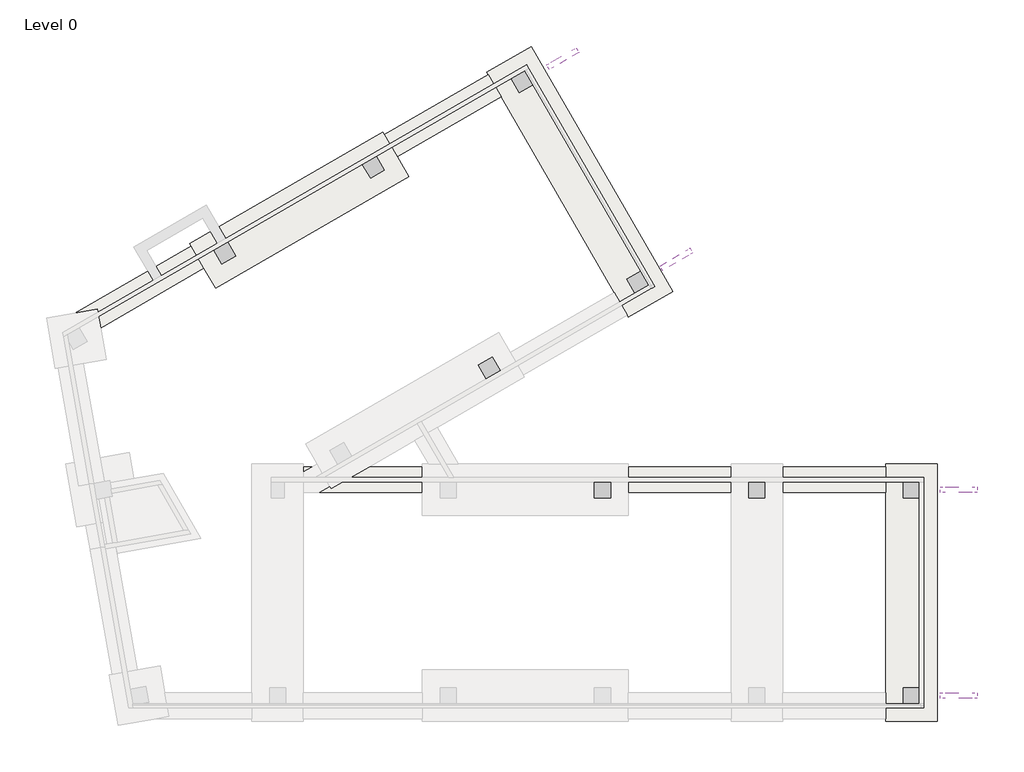
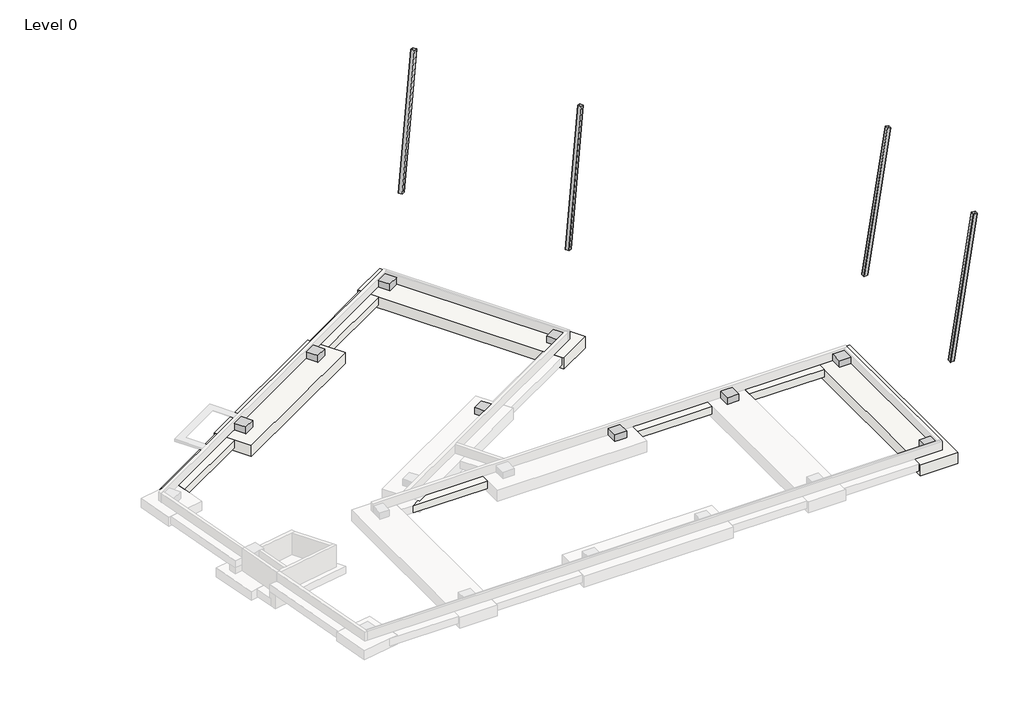
# One storey, part 2 of 2: 13 columns, 3 slabs, 2 footings.
"""IFC4 building model written with IfcOpenShell, lengths in millimetres."""

from ifc_helpers import new_model, si_unit, point, frame, frame_2d, origin, place, context, project, spatial, polyline, circle_curve, ellipse_curve, trimmed, segment, composite_curve, outline, extrude, faceted_brep, element, save
from ifc_brep_helpers import plane_surface, cylinder_surface, revolved_surface, advanced_brep

model = new_model("IFC4")

# Units and contexts
model_context = context("Model", 3, world=origin())
ifc_project = project(units=[si_unit("LENGTHUNIT", "METRE", prefix="MILLI")], contexts=[model_context])

# Site, building, storey
site = spatial("IfcSite", under=ifc_project)
building = spatial("IfcBuilding", under=site)
storey = spatial("IfcBuildingStorey", under=building, Name="Level 0", Elevation=-762.0)

# Columns
placement = place(None, origin())
element("IfcColumn", 1, ObjectType="Concrete-Square-Column : 30\"x30\"", at=placement, inside=storey, context=model_context, shape_type="SweptSolid", body=[
    extrude(outline(polyline([(36957.0, 381.0), (36957.0, -381.0), (36195.0, -381.0), (36195.0, 381.0), (36957.0, 381.0)])), frame((0.0, 0.0, -762.0), z_axis=(0.0, 0.0, 1.0), x_axis=(1.0, 0.0, 0.0)), (0.0, 0.0, 1.0), 457.2),
])
element("IfcColumn", 2, ObjectType="Concrete-Square-Column : 30\"x30\"", at=placement, inside=storey, context=model_context, shape_type="SweptSolid", body=[
    extrude(outline(polyline([(36195.0, 9372.6), (36195.0, 10134.6), (36957.0, 10134.6), (36957.0, 9372.6), (36195.0, 9372.6)])), frame((0.0, 0.0, -762.0), z_axis=(0.0, 0.0, 1.0), x_axis=(1.0, 0.0, 0.0)), (0.0, 0.0, 1.0), 457.2),
])
element("IfcColumn", 3, ObjectType="Concrete-Square-Column : 30\"x30\"", at=placement, inside=storey, context=model_context, shape_type="SweptSolid", body=[
    extrude(outline(polyline([(28879.8, 9372.6), (28879.8, 10134.6), (29641.8, 10134.6), (29641.8, 9372.6), (28879.8, 9372.6)])), frame((0.0, 0.0, -762.0), z_axis=(0.0, 0.0, 1.0), x_axis=(1.0, 0.0, 0.0)), (0.0, 0.0, 1.0), 457.2),
])
element("IfcColumn", 4, ObjectType="Concrete-Square-Column : 30\"x30\"", at=placement, inside=storey, context=model_context, shape_type="SweptSolid", body=[
    extrude(outline(polyline([(21564.6, 9372.6), (21564.6, 10134.6), (22326.6, 10134.6), (22326.6, 9372.6), (21564.6, 9372.6)])), frame((0.0, 0.0, -762.0), z_axis=(0.0, 0.0, 1.0), x_axis=(1.0, 0.0, 0.0)), (0.0, 0.0, 1.0), 457.2),
])
element("IfcColumn", 5, ObjectType="Concrete-Square-Column : 30\"x30\"", at=placement, inside=storey, context=model_context, shape_type="SweptSolid", body=[
    extrude(outline(polyline([(16442.2355486, 15021.2207705), (16061.2355486, 15681.1321282), (16721.1469063, 16062.1321282), (17102.1469063, 15402.2207705), (16442.2355486, 15021.2207705)])), frame((0.0, 0.0, -762.0), z_axis=(0.0, 0.0, 1.0), x_axis=(1.0, 0.0, 0.0)), (0.0, 0.0, 1.0), 457.2),
])
element("IfcColumn", 6, ObjectType="Concrete-Square-Column : 30\"x30\"", at=placement, inside=storey, context=model_context, shape_type="SweptSolid", body=[
    extrude(outline(polyline([(23481.2900306, 19085.2207705), (23100.2900306, 19745.1321282), (23760.2013883, 20126.1321282), (24141.2013883, 19466.2207705), (23481.2900306, 19085.2207705)])), frame((0.0, 0.0, -762.0), z_axis=(0.0, 0.0, 1.0), x_axis=(1.0, 0.0, 0.0)), (0.0, 0.0, 1.0), 457.2),
])
element("IfcColumn", 7, ObjectType="Concrete-Square-Column : 30\"x30\"", at=placement, inside=storey, context=model_context, shape_type="SweptSolid", body=[
    extrude(outline(polyline([(17994.8900306, 28587.9443212), (17613.8900306, 29247.8556788), (18273.8013883, 29628.8556788), (18654.8013883, 28968.9443212), (17994.8900306, 28587.9443212)])), frame((0.0, 0.0, -762.0), z_axis=(0.0, 0.0, 1.0), x_axis=(1.0, 0.0, 0.0)), (0.0, 0.0, 1.0), 457.2),
])
element("IfcColumn", 8, ObjectType="Concrete-Square-Column : 30\"x30\"", at=placement, inside=storey, context=model_context, shape_type="SweptSolid", body=[
    extrude(outline(polyline([(10955.8355486, 24523.9443212), (10574.8355486, 25183.8556788), (11234.7469063, 25564.8556788), (11615.7469063, 24904.9443212), (10955.8355486, 24523.9443212)])), frame((0.0, 0.0, -762.0), z_axis=(0.0, 0.0, 1.0), x_axis=(1.0, 0.0, 0.0)), (0.0, 0.0, 1.0), 457.2),
])
element("IfcColumn", 9, ObjectType="Concrete-Square-Column : 30\"x30\"", at=placement, inside=storey, context=model_context, shape_type="SweptSolid", body=[
    extrude(outline(polyline([(3916.7810667, 20459.9443212), (3535.7810667, 21119.8556788), (4195.6924243, 21500.8556788), (4576.6924243, 20840.9443212), (3916.7810667, 20459.9443212)])), frame((0.0, 0.0, -762.0), z_axis=(0.0, 0.0, 1.0), x_axis=(1.0, 0.0, 0.0)), (0.0, 0.0, 1.0), 457.2),
])
element("IfcColumn", 10, ObjectType="HSS-Hollow Structural Section-Column : HSS10x10x1/4", at=placement, inside=storey, context=model_context, shape_type="SweptSolid", body=[
    extrude(outline(composite_curve([segment(trimmed(circle_curve(frame_2d((230.3272, -11.8364)), 11.8364), [point((230.3272001, 0.0))], [point((242.1636, -11.8364))], False, "CARTESIAN"), True, "CONTINUOUS"), segment(polyline([(242.1636, -11.8364), (242.1636, -242.1635999)]), True, "CONTINUOUS"), segment(trimmed(circle_curve(frame_2d((230.3272, -242.1636)), 11.8364), [point((242.1636, -242.1635999))], [point((230.3272, -254.0))], False, "CARTESIAN"), True, "CONTINUOUS"), segment(polyline([(230.3272, -254.0), (1e-07, -254.0)]), True, "CONTINUOUS"), segment(trimmed(circle_curve(frame_2d((1e-07, -242.1636)), 11.8364), [point((1e-07, -254.0))], [point((-11.8364, -242.1636))], False, "CARTESIAN"), True, "CONTINUOUS"), segment(polyline([(-11.8364, -242.1636), (-11.8364, -11.8364)]), True, "CONTINUOUS"), segment(trimmed(circle_curve(frame_2d((0.0, -11.8364)), 11.8364), [point((-11.8364, -11.8364))], [point((0.0, 0.0))], False, "CARTESIAN"), True, "CONTINUOUS"), segment(polyline([(0.0, 0.0), (230.3272001, 0.0)]), True, "CONTINUOUS")], self_intersect=False), holes=[composite_curve([segment(polyline([(230.3272001, -5.9182), (0.0, -5.9182)]), True, "CONTINUOUS"), segment(trimmed(circle_curve(frame_2d((0.0, -11.8364)), 5.9182), [point((0.0, -5.9182))], [point((-5.9182, -11.8364))], True, "CARTESIAN"), True, "CONTINUOUS"), segment(polyline([(-5.9182, -11.8364), (-5.9182, -242.1635999)]), True, "CONTINUOUS"), segment(trimmed(circle_curve(frame_2d((1e-07, -242.1636)), 5.9182), [point((-5.9182, -242.1635999))], [point((1e-07, -248.0818))], True, "CARTESIAN"), True, "CONTINUOUS"), segment(polyline([(1e-07, -248.0818), (230.3272, -248.0818)]), True, "CONTINUOUS"), segment(trimmed(circle_curve(frame_2d((230.3272, -242.1636)), 5.9182), [point((230.3272, -248.0818))], [point((236.2454, -242.1636))], True, "CARTESIAN"), True, "CONTINUOUS"), segment(polyline([(236.2454, -242.1636), (236.2454, -11.8364)]), True, "CONTINUOUS"), segment(trimmed(circle_curve(frame_2d((230.3272, -11.8364)), 5.9182), [point((236.2454, -11.8364))], [point((230.3272001, -5.9182))], True, "CARTESIAN"), True, "CONTINUOUS")], self_intersect=False)]), frame((24790.8903448, 20153.3960247, 4743.9325816), z_axis=(0.13226973390963054, 0.07848001638905436, 0.9881020213110837), x_axis=(-0.5102736686681748, 0.8600120830918144, 0.0)), (0.0, 0.0, 1.0), 9179.5581877),
])
element("IfcColumn", 11, ObjectType="HSS-Hollow Structural Section-Column : HSS10x10x1/4", at=placement, inside=storey, context=model_context, shape_type="AdvancedBrep", body=[
    advanced_brep(
    [(37948.0439775, 9868.7636, 4737.1), (37960.0238487, 9880.6, 4737.1), (38193.1428879, 9880.6, 4737.1), (38205.1227591, 9868.7636, 4737.1), (38205.1227591, 9638.4364, 4737.1), (38193.1428879, 9626.6, 4737.1), (37960.0238487, 9626.6, 4737.1), (37948.0439775, 9638.4364, 4737.1), (37954.0339131, 9868.7636, 4737.1), (37954.0339131, 9638.4364, 4737.1), (37960.0238487, 9632.5182, 4737.1), (38193.1428879, 9632.5182, 4737.1), (38199.1328235, 9638.4364, 4737.1), (38199.1328235, 9868.7636, 4737.1), (38193.1428879, 9874.6818, 4737.1), (37960.0238487, 9874.6818, 4737.1), (39460.8442884, 9868.7636, 14423.9361545), (39460.8442884, 9638.4364, 14423.9361545), (39472.5389354, 9626.6, 14422.1097929), (39700.1077313, 9626.6, 14386.5702071), (39711.8023783, 9638.4364, 14384.7438455), (39711.8023783, 9868.7636, 14384.7438455), (39700.1077313, 9880.6, 14386.5702071), (39472.5389354, 9880.6, 14422.1097929), (39466.6916119, 9868.7636, 14423.0229737), (39472.5389354, 9874.6818, 14422.1097929), (39700.1077313, 9874.6818, 14386.5702071), (39705.9550548, 9868.7636, 14385.6570263), (39705.9550548, 9638.4364, 14385.6570263), (39700.1077313, 9632.5182, 14386.5702071), (39472.5389354, 9632.5182, 14422.1097929), (39466.6916119, 9638.4364, 14423.0229737)],
    [
        (0, 1, ellipse_curve(frame((37960.0238487, 9868.7636, 4737.1), z_axis=(0.0, 0.0, -1.0), x_axis=(1.0, 0.0, 0.0)), 11.9798712, 11.8364)),
        (1, 2),
        (2, 3, ellipse_curve(frame((38193.1428879, 9868.7636, 4737.1), z_axis=(0.0, 0.0, -1.0), x_axis=(1.0, 0.0, 0.0)), 11.9798712, 11.8364)),
        (3, 4),
        (4, 5, ellipse_curve(frame((38193.1428879, 9638.4364, 4737.1), z_axis=(0.0, 0.0, -1.0), x_axis=(1.0, 0.0, 0.0)), 11.9798712, 11.8364)),
        (5, 6),
        (6, 7, ellipse_curve(frame((37960.0238487, 9638.4364, 4737.1), z_axis=(0.0, 0.0, -1.0), x_axis=(1.0, 0.0, 0.0)), 11.9798712, 11.8364)),
        (7, 0),
        (8, 9),
        (9, 10, ellipse_curve(frame((37960.0238487, 9638.4364, 4737.1), z_axis=(0.0, 0.0, 1.0), x_axis=(-1.0, 0.0, 0.0)), 5.9899356, 5.9182)),
        (10, 11),
        (11, 12, ellipse_curve(frame((38193.1428879, 9638.4364, 4737.1), z_axis=(0.0, 0.0, 1.0), x_axis=(-1.0, 0.0, 0.0)), 5.9899356, 5.9182)),
        (12, 13),
        (13, 14, ellipse_curve(frame((38193.1428879, 9868.7636, 4737.1), z_axis=(0.0, 0.0, 1.0), x_axis=(-1.0, 0.0, 0.0)), 5.9899356, 5.9182)),
        (14, 15),
        (15, 8, ellipse_curve(frame((37960.0238487, 9868.7636, 4737.1), z_axis=(0.0, 0.0, 1.0), x_axis=(-1.0, 0.0, 0.0)), 5.9899356, 5.9182)),
        (16, 17),
        (17, 18, circle_curve(frame((39472.5389354, 9638.4364, 14422.1097929), z_axis=(0.1543004294103759, 0.0, 0.9880239761684804), x_axis=(0.0, 0.9999999999999999, 0.0)), 11.8364)),
        (18, 19),
        (19, 20, circle_curve(frame((39700.1077313, 9638.4364, 14386.5702071), z_axis=(0.1543004294103759, 0.0, 0.9880239761684804), x_axis=(0.0, 0.9999999999999999, 0.0)), 11.8364)),
        (20, 21),
        (21, 22, circle_curve(frame((39700.1077313, 9868.7636, 14386.5702071), z_axis=(0.1543004294103759, 0.0, 0.9880239761684804), x_axis=(0.0, 0.9999999999999999, 0.0)), 11.8364)),
        (22, 23),
        (23, 16, circle_curve(frame((39472.5389354, 9868.7636, 14422.1097929), z_axis=(0.1543004294103759, 0.0, 0.9880239761684804), x_axis=(0.0, 0.9999999999999999, 0.0)), 11.8364)),
        (24, 25, circle_curve(frame((39472.5389354, 9868.7636, 14422.1097929), z_axis=(-0.1543004294103759, 0.0, -0.9880239761684804), x_axis=(0.0, 0.9999999999999999, 0.0)), 5.9182)),
        (25, 26),
        (26, 27, circle_curve(frame((39700.1077313, 9868.7636, 14386.5702071), z_axis=(-0.1543004294103759, 0.0, -0.9880239761684804), x_axis=(0.0, 0.9999999999999999, 0.0)), 5.9182)),
        (27, 28),
        (28, 29, circle_curve(frame((39700.1077313, 9638.4364, 14386.5702071), z_axis=(-0.1543004294103759, 0.0, -0.9880239761684804), x_axis=(0.0, 0.9999999999999999, 0.0)), 5.9182)),
        (29, 30),
        (30, 31, circle_curve(frame((39472.5389354, 9638.4364, 14422.1097929), z_axis=(-0.1543004294103759, 0.0, -0.9880239761684804), x_axis=(0.0, 0.9999999999999999, 0.0)), 5.9182)),
        (31, 24),
        (23, 1),
        (0, 16),
        (22, 2),
        (7, 17),
        (21, 3),
        (20, 4),
        (19, 5),
        (18, 6),
        (31, 9),
        (8, 24),
        (30, 10),
        (15, 25),
        (29, 11),
        (28, 12),
        (27, 13),
        (26, 14),
    ],
    [
        plane_surface(frame((38074.6, 9753.6, 4737.1), z_axis=(0.0, 0.0, -1.0), x_axis=(1.0, 0.0, 0.0))),
        plane_surface(frame((39460.8442884, 9638.4364, 14423.9361545), z_axis=(0.1543004294103759, 0.0, 0.9880239761684803), x_axis=(0.0, -1.0, 0.0))),
        cylinder_surface(frame((37906.7008428, 9868.7636, 4395.6595481), z_axis=(0.15430042941037586, 0.0, 0.9880239761684801), x_axis=(0.0, 0.9999999999999999, 0.0)), 11.8364),
        plane_surface(frame((39700.1077313, 9880.6, 14386.5702071), z_axis=(0.0, 1.0, 0.0), x_axis=(-0.1543004294103759, 0.0, -0.9880239761684803))),
        plane_surface(frame((39460.8442884, 9868.7636, 14423.9361545), z_axis=(-0.9880239761684803, 0.0, 0.1543004294103759), x_axis=(-0.1543004294103759, 0.0, -0.9880239761684803))),
        cylinder_surface(frame((38134.2696388, 9868.7636, 4360.1199622), z_axis=(0.15430042941037586, 0.0, 0.9880239761684801), x_axis=(0.0, 0.9999999999999999, 0.0)), 11.8364),
        plane_surface(frame((39711.8023783, 9638.4364, 14384.7438455), z_axis=(0.9880239761684803, 0.0, -0.1543004294103759), x_axis=(-0.1543004294103759, 0.0, -0.9880239761684803))),
        cylinder_surface(frame((38134.2696388, 9638.4364, 4360.1199622), z_axis=(0.15430042941037586, 0.0, 0.9880239761684801), x_axis=(0.0, 0.9999999999999999, 0.0)), 11.8364),
        plane_surface(frame((39472.5389354, 9626.6, 14422.1097929), z_axis=(0.0, -1.0, 0.0), x_axis=(-0.1543004294103759, 0.0, -0.9880239761684803))),
        cylinder_surface(frame((37906.7008428, 9638.4364, 4395.6595481), z_axis=(0.15430042941037586, 0.0, 0.9880239761684801), x_axis=(0.0, 0.9999999999999999, 0.0)), 11.8364),
        plane_surface(frame((39466.6916119, 9638.4364, 14423.0229737), z_axis=(0.9880239761684803, 0.0, -0.1543004294103759), x_axis=(-0.1543004294103759, 0.0, -0.9880239761684803))),
        revolved_surface(polyline([(37959.88123661964, 9644.3546, 4736.186819194934), (39472.53893534831, 9644.3546, 14422.109792908072)]), (37906.7008428, 9638.4364, 4395.6595481), (-0.15430042941037586, 0.0, -0.9880239761684801)),
        revolved_surface(polyline([(37959.88123661964, 9874.6818, 4736.186819194934), (39472.53893534831, 9874.6818, 14422.109792908072)]), (37906.7008428, 9868.7636, 4395.6595481), (-0.15430042941037586, 0.0, -0.9880239761684801)),
        plane_surface(frame((39700.1077313, 9632.5182, 14386.5702071), z_axis=(0.0, 1.0, 0.0), x_axis=(-0.1543004294103759, 0.0, -0.9880239761684803))),
        revolved_surface(polyline([(38193.00027582979, 9644.3546, 4736.18681919335), (39700.10773136148, 9644.3546, 14386.570207092396)]), (38134.2696388, 9638.4364, 4360.1199622), (-0.15430042941037586, 0.0, -0.9880239761684801)),
        plane_surface(frame((39705.9550548, 9868.7636, 14385.6570263), z_axis=(-0.9880239761684803, 0.0, 0.1543004294103759), x_axis=(-0.1543004294103759, 0.0, -0.9880239761684803))),
        revolved_surface(polyline([(38193.00027582979, 9874.6818, 4736.18681919335), (39700.10773136148, 9874.6818, 14386.570207092396)]), (38134.2696388, 9868.7636, 4360.1199622), (-0.15430042941037586, 0.0, -0.9880239761684801)),
        plane_surface(frame((39472.5389354, 9874.6818, 14422.1097929), z_axis=(0.0, -1.0, 0.0), x_axis=(-0.1543004294103759, 0.0, -0.9880239761684803))),
    ],
    [
        (0, [[1, 2, 3, 4, 5, 6, 7, 8], [9, 10, 11, 12, 13, 14, 15, 16]]),
        (1, [[17, 18, 19, 20, 21, 22, 23, 24], [25, 26, 27, 28, 29, 30, 31, 32]]),
        (2, [[-24, 33, -1, 34]]),
        (3, [[-23, 35, -2, -33]]),
        (4, [[-17, -34, -8, 36]]),
        (5, [[-22, 37, -3, -35]]),
        (6, [[-21, 38, -4, -37]]),
        (7, [[-20, 39, -5, -38]]),
        (8, [[-19, 40, -6, -39]]),
        (9, [[-18, -36, -7, -40]]),
        (10, [[-32, 41, -9, 42]]),
        (11, [[-31, 43, -10, -41]]),
        (12, [[-25, -42, -16, 44]]),
        (13, [[-30, 45, -11, -43]]),
        (14, [[-29, 46, -12, -45]]),
        (15, [[-28, 47, -13, -46]]),
        (16, [[-27, 48, -14, -47]]),
        (17, [[-26, -44, -15, -48]]),
    ],
),
])
element("IfcColumn", 12, ObjectType="HSS-Hollow Structural Section-Column : HSS10x10x1/4", at=placement, inside=storey, context=model_context, shape_type="AdvancedBrep", body=[
    advanced_brep(
    [(19299.7128101, 29884.8750866, 4737.1), (19304.1621531, 29901.1114134, 4737.1), (19505.9065296, 30017.5885834, 4737.1), (19522.1922726, 30013.3236641, 4737.1), (19637.3558726, 29813.8544577, 4737.1), (19632.9065296, 29797.6181309, 4737.1), (19431.1621531, 29681.1409608, 4737.1), (19414.8764101, 29685.4058802, 4737.1), (19304.8965816, 29887.8679384, 4737.1), (19420.0601816, 29688.398732, 4737.1), (19428.2030531, 29686.2662723, 4737.1), (19629.9474296, 29802.7434424, 4737.1), (19632.1721011, 29810.8616058, 4737.1), (19517.0085011, 30010.3308122, 4737.1), (19508.8656296, 30012.4632719, 4737.1), (19307.1212531, 29895.9861018, 4737.1), (20490.3393622, 30572.2836469, 13813.7594098), (20605.5029622, 30372.8144405, 13813.7594098), (20621.556184, 30368.415275, 13811.9868008), (20818.7758785, 30482.2801187, 13777.4931992), (20822.9927003, 30498.3821993, 13775.7205902), (20707.8291003, 30697.8514057, 13775.7205902), (20691.7758785, 30702.2505712, 13777.4931992), (20494.556184, 30588.3857275, 13811.9868008), (20495.4068731, 30575.2093757, 13812.8731053), (20497.515284, 30583.260416, 13811.9868008), (20694.7349785, 30697.1252597, 13777.4931992), (20702.7615894, 30694.9256769, 13776.6068947), (20817.9251894, 30495.4564705, 13776.6068947), (20815.8167785, 30487.4054302, 13777.4931992), (20618.597084, 30373.5405865, 13811.9868008), (20610.5704731, 30375.7401693, 13812.8731053)],
    [
        (0, 1, ellipse_curve(frame((19310.0803531, 29890.8607903, 4737.1), z_axis=(0.0, 0.0, -1.0), x_axis=(0.8660254037844417, 0.4999999999999944, 0.0)), 11.9714074, 11.8364)),
        (1, 2),
        (2, 3, ellipse_curve(frame((19511.8247296, 30007.3379604, 4737.1), z_axis=(0.0, 0.0, -1.0), x_axis=(0.8660254037844417, 0.4999999999999944, 0.0)), 11.9714074, 11.8364)),
        (3, 4),
        (4, 5, ellipse_curve(frame((19626.9883296, 29807.868754, 4737.1), z_axis=(0.0, 0.0, -1.0), x_axis=(0.8660254037844417, 0.4999999999999944, 0.0)), 11.9714074, 11.8364)),
        (5, 6),
        (6, 7, ellipse_curve(frame((19425.2439531, 29691.3915839, 4737.1), z_axis=(0.0, 0.0, -1.0), x_axis=(0.8660254037844417, 0.4999999999999944, 0.0)), 11.9714074, 11.8364)),
        (7, 0),
        (8, 9),
        (9, 10, ellipse_curve(frame((19425.2439531, 29691.3915839, 4737.1), z_axis=(0.0, 0.0, 1.0), x_axis=(-0.8660254037844417, -0.4999999999999944, 0.0)), 5.9857037, 5.9182)),
        (10, 11),
        (11, 12, ellipse_curve(frame((19626.9883296, 29807.868754, 4737.1), z_axis=(0.0, 0.0, 1.0), x_axis=(-0.8660254037844417, -0.4999999999999944, 0.0)), 5.9857037, 5.9182)),
        (12, 13),
        (13, 14, ellipse_curve(frame((19511.8247296, 30007.3379604, 4737.1), z_axis=(0.0, 0.0, 1.0), x_axis=(-0.8660254037844417, -0.4999999999999944, 0.0)), 5.9857037, 5.9182)),
        (14, 15),
        (15, 8, ellipse_curve(frame((19310.0803531, 29890.8607903, 4737.1), z_axis=(0.0, 0.0, 1.0), x_axis=(-0.8660254037844417, -0.4999999999999944, 0.0)), 5.9857037, 5.9182)),
        (16, 17),
        (17, 18, circle_curve(frame((20615.637984, 30378.6658981, 13811.9868008), z_axis=(0.12969521277082596, 0.07487956600584106, 0.9887225103026164), x_axis=(-0.49999999999999817, 0.8660254037844397, 0.0)), 11.8364)),
        (18, 19),
        (19, 20, circle_curve(frame((20812.8576785, 30492.5307418, 13777.4931992), z_axis=(0.12969521277082596, 0.07487956600584106, 0.9887225103026164), x_axis=(-0.49999999999999817, 0.8660254037844397, 0.0)), 11.8364)),
        (20, 21),
        (21, 22, circle_curve(frame((20697.6940785, 30691.9999481, 13777.4931992), z_axis=(0.12969521277082596, 0.07487956600584106, 0.9887225103026164), x_axis=(-0.49999999999999817, 0.8660254037844397, 0.0)), 11.8364)),
        (22, 23),
        (23, 16, circle_curve(frame((20500.474384, 30578.1351045, 13811.9868008), z_axis=(0.12969521277082596, 0.07487956600584106, 0.9887225103026164), x_axis=(-0.49999999999999817, 0.8660254037844397, 0.0)), 11.8364)),
        (24, 25, circle_curve(frame((20500.474384, 30578.1351045, 13811.9868008), z_axis=(-0.12969521277082596, -0.07487956600584106, -0.9887225103026164), x_axis=(-0.49999999999999817, 0.8660254037844397, 0.0)), 5.9182)),
        (25, 26),
        (26, 27, circle_curve(frame((20697.6940785, 30691.9999481, 13777.4931992), z_axis=(-0.12969521277082596, -0.07487956600584106, -0.9887225103026164), x_axis=(-0.49999999999999817, 0.8660254037844397, 0.0)), 5.9182)),
        (27, 28),
        (28, 29, circle_curve(frame((20812.8576785, 30492.5307418, 13777.4931992), z_axis=(-0.12969521277082596, -0.07487956600584106, -0.9887225103026164), x_axis=(-0.49999999999999817, 0.8660254037844397, 0.0)), 5.9182)),
        (29, 30),
        (30, 31, circle_curve(frame((20615.637984, 30378.6658981, 13811.9868008), z_axis=(-0.12969521277082596, -0.07487956600584106, -0.9887225103026164), x_axis=(-0.49999999999999817, 0.8660254037844397, 0.0)), 5.9182)),
        (31, 24),
        (23, 1),
        (0, 16),
        (22, 2),
        (7, 17),
        (21, 3),
        (20, 4),
        (19, 5),
        (18, 6),
        (31, 9),
        (8, 24),
        (30, 10),
        (15, 25),
        (29, 11),
        (28, 12),
        (27, 13),
        (26, 14),
    ],
    [
        plane_surface(frame((19466.8684248, 29848.4029547, 4737.1), z_axis=(0.0, 0.0, -1.0), x_axis=(1.0, 0.0, 0.0))),
        plane_surface(frame((20605.5029622, 30372.8144405, 13813.7594098), z_axis=(0.12969521277082596, 0.07487956600584104, 0.9887225103026163), x_axis=(0.4999999999999982, -0.8660254037844397, 0.0))),
        cylinder_surface(frame((19265.2234583, 29864.96265, 4395.1365559), z_axis=(0.12969521277082596, 0.07487956600584106, 0.9887225103026164), x_axis=(-0.49999999999999817, 0.8660254037844397, 0.0)), 11.8364),
        plane_surface(frame((20691.7758785, 30702.2505712, 13777.4931992), z_axis=(-0.4999999999999981, 0.8660254037844398, 0.0), x_axis=(-0.12969521277082596, -0.07487956600584106, -0.9887225103026164))),
        plane_surface(frame((20490.3393622, 30572.2836469, 13813.7594098), z_axis=(-0.8562588112155882, -0.4943612551513065, 0.14975913201168378), x_axis=(-0.12969521277082596, -0.07487956600584106, -0.9887225103026164))),
        cylinder_surface(frame((19462.4431528, 29978.8274937, 4360.6429544), z_axis=(0.12969521277082596, 0.07487956600584106, 0.9887225103026164), x_axis=(-0.49999999999999817, 0.8660254037844397, 0.0)), 11.8364),
        plane_surface(frame((20822.9927003, 30498.3821993, 13775.7205902), z_axis=(0.8562588112155882, 0.49436125515130647, -0.14975913201168378), x_axis=(-0.12969521277082596, -0.07487956600584106, -0.9887225103026164))),
        cylinder_surface(frame((19577.6067528, 29779.3582873, 4360.6429544), z_axis=(0.12969521277082596, 0.07487956600584106, 0.9887225103026164), x_axis=(-0.49999999999999817, 0.8660254037844397, 0.0)), 11.8364),
        plane_surface(frame((20621.556184, 30368.415275, 13811.9868008), z_axis=(0.49999999999999817, -0.8660254037844398, 0.0), x_axis=(-0.12969521277082596, -0.07487956600584106, -0.9887225103026164))),
        cylinder_surface(frame((19380.3870583, 29665.4934436, 4395.1365559), z_axis=(0.12969521277082596, 0.07487956600584106, 0.9887225103026164), x_axis=(-0.49999999999999817, 0.8660254037844397, 0.0)), 11.8364),
        plane_surface(frame((20610.5704731, 30375.7401693, 13812.8731053), z_axis=(0.8562588112155882, 0.49436125515130647, -0.14975913201168378), x_axis=(-0.12969521277082596, -0.07487956600584106, -0.9887225103026164))),
        revolved_surface(polyline([(19422.16859253295, 29696.449772362786, 4736.213695497285), (20612.678884031895, 30383.791209632713, 13811.986800799703)]), (19380.3870583, 29665.4934436, 4395.1365559), (-0.12969521277082596, -0.07487956600584106, -0.9887225103026164)),
        revolved_surface(polyline([(19307.00499253295, 29895.918978762787, 4736.213695497284), (20497.515284031895, 30583.260416032714, 13811.986800799703)]), (19265.2234583, 29864.96265, 4395.1365559), (-0.12969521277082596, -0.07487956600584106, -0.9887225103026164)),
        plane_surface(frame((20815.8167785, 30487.4054302, 13777.4931992), z_axis=(-0.49999999999999817, 0.8660254037844398, 0.0), x_axis=(-0.12969521277082596, -0.07487956600584106, -0.9887225103026164))),
        revolved_surface(polyline([(19623.91296907429, 29812.92694245735, 4736.213695500818), (20809.89857851869, 30497.65605332509, 13777.493199199034)]), (19577.6067528, 29779.3582873, 4360.6429544), (-0.12969521277082596, -0.07487956600584106, -0.9887225103026164)),
        plane_surface(frame((20702.7615894, 30694.9256769, 13776.6068947), z_axis=(-0.8562588112155882, -0.49436125515130647, 0.14975913201168378), x_axis=(-0.12969521277082596, -0.07487956600584106, -0.9887225103026164))),
        revolved_surface(polyline([(19508.74936907429, 30012.396148857348, 4736.213695500818), (20694.734978518256, 30697.12525972484, 13777.493199195727)]), (19462.4431528, 29978.8274937, 4360.6429544), (-0.12969521277082596, -0.07487956600584106, -0.9887225103026164)),
        plane_surface(frame((20497.515284, 30583.260416, 13811.9868008), z_axis=(0.49999999999999817, -0.8660254037844398, 0.0), x_axis=(-0.12969521277082596, -0.07487956600584106, -0.9887225103026164))),
    ],
    [
        (0, [[1, 2, 3, 4, 5, 6, 7, 8], [9, 10, 11, 12, 13, 14, 15, 16]]),
        (1, [[17, 18, 19, 20, 21, 22, 23, 24], [25, 26, 27, 28, 29, 30, 31, 32]]),
        (2, [[-24, 33, -1, 34]]),
        (3, [[-23, 35, -2, -33]]),
        (4, [[-17, -34, -8, 36]]),
        (5, [[-22, 37, -3, -35]]),
        (6, [[-21, 38, -4, -37]]),
        (7, [[-20, 39, -5, -38]]),
        (8, [[-19, 40, -6, -39]]),
        (9, [[-18, -36, -7, -40]]),
        (10, [[-32, 41, -9, 42]]),
        (11, [[-31, 43, -10, -41]]),
        (12, [[-25, -42, -16, 44]]),
        (13, [[-30, 45, -11, -43]]),
        (14, [[-29, 46, -12, -45]]),
        (15, [[-28, 47, -13, -46]]),
        (16, [[-27, 48, -14, -47]]),
        (17, [[-26, -44, -15, -48]]),
    ],
),
])
element("IfcColumn", 13, ObjectType="HSS-Hollow Structural Section-Column : HSS10x10x1/4", at=placement, inside=storey, context=model_context, shape_type="AdvancedBrep", body=[
    advanced_brep(
    [(37948.0439775, 115.1636, 4737.1), (37960.0238487, 127.0, 4737.1), (38193.1428879, 127.0, 4737.1), (38205.1227591, 115.1636, 4737.1), (38205.1227591, -115.1636, 4737.1), (38193.1428879, -127.0, 4737.1), (37960.0238487, -127.0, 4737.1), (37948.0439775, -115.1636, 4737.1), (37954.0339131, 115.1636, 4737.1), (37954.0339131, -115.1636, 4737.1), (37960.0238487, -121.0818, 4737.1), (38193.1428879, -121.0818, 4737.1), (38199.1328235, -115.1636, 4737.1), (38199.1328235, 115.1636, 4737.1), (38193.1428879, 121.0818, 4737.1), (37960.0238487, 121.0818, 4737.1), (39460.8442884, 115.1636, 14423.9361545), (39460.8442884, -115.1636, 14423.9361545), (39472.5389354, -127.0, 14422.1097929), (39700.1077313, -127.0, 14386.5702071), (39711.8023783, -115.1636, 14384.7438455), (39711.8023783, 115.1636, 14384.7438455), (39700.1077313, 127.0, 14386.5702071), (39472.5389354, 127.0, 14422.1097929), (39466.6916119, 115.1636, 14423.0229737), (39472.5389354, 121.0818, 14422.1097929), (39700.1077313, 121.0818, 14386.5702071), (39705.9550548, 115.1636, 14385.6570263), (39705.9550548, -115.1636, 14385.6570263), (39700.1077313, -121.0818, 14386.5702071), (39472.5389354, -121.0818, 14422.1097929), (39466.6916119, -115.1636, 14423.0229737)],
    [
        (0, 1, ellipse_curve(frame((37960.0238487, 115.1636, 4737.1), z_axis=(0.0, 0.0, -1.0), x_axis=(1.0, 0.0, 0.0)), 11.9798712, 11.8364)),
        (1, 2),
        (2, 3, ellipse_curve(frame((38193.1428879, 115.1636, 4737.1), z_axis=(0.0, 0.0, -1.0), x_axis=(1.0, 0.0, 0.0)), 11.9798712, 11.8364)),
        (3, 4),
        (4, 5, ellipse_curve(frame((38193.1428879, -115.1636, 4737.1), z_axis=(0.0, 0.0, -1.0), x_axis=(1.0, 0.0, 0.0)), 11.9798712, 11.8364)),
        (5, 6),
        (6, 7, ellipse_curve(frame((37960.0238487, -115.1636, 4737.1), z_axis=(0.0, 0.0, -1.0), x_axis=(1.0, 0.0, 0.0)), 11.9798712, 11.8364)),
        (7, 0),
        (8, 9),
        (9, 10, ellipse_curve(frame((37960.0238487, -115.1636, 4737.1), z_axis=(0.0, 0.0, 1.0), x_axis=(-1.0, 0.0, 0.0)), 5.9899356, 5.9182)),
        (10, 11),
        (11, 12, ellipse_curve(frame((38193.1428879, -115.1636, 4737.1), z_axis=(0.0, 0.0, 1.0), x_axis=(-1.0, 0.0, 0.0)), 5.9899356, 5.9182)),
        (12, 13),
        (13, 14, ellipse_curve(frame((38193.1428879, 115.1636, 4737.1), z_axis=(0.0, 0.0, 1.0), x_axis=(-1.0, 0.0, 0.0)), 5.9899356, 5.9182)),
        (14, 15),
        (15, 8, ellipse_curve(frame((37960.0238487, 115.1636, 4737.1), z_axis=(0.0, 0.0, 1.0), x_axis=(-1.0, 0.0, 0.0)), 5.9899356, 5.9182)),
        (16, 17),
        (17, 18, circle_curve(frame((39472.5389354, -115.1636, 14422.1097929), z_axis=(0.1543004294103759, 0.0, 0.9880239761684804), x_axis=(0.0, 0.9999999999999999, 0.0)), 11.8364)),
        (18, 19),
        (19, 20, circle_curve(frame((39700.1077313, -115.1636, 14386.5702071), z_axis=(0.1543004294103759, 0.0, 0.9880239761684804), x_axis=(0.0, 0.9999999999999999, 0.0)), 11.8364)),
        (20, 21),
        (21, 22, circle_curve(frame((39700.1077313, 115.1636, 14386.5702071), z_axis=(0.1543004294103759, 0.0, 0.9880239761684804), x_axis=(0.0, 0.9999999999999999, 0.0)), 11.8364)),
        (22, 23),
        (23, 16, circle_curve(frame((39472.5389354, 115.1636, 14422.1097929), z_axis=(0.1543004294103759, 0.0, 0.9880239761684804), x_axis=(0.0, 0.9999999999999999, 0.0)), 11.8364)),
        (24, 25, circle_curve(frame((39472.5389354, 115.1636, 14422.1097929), z_axis=(-0.1543004294103759, 0.0, -0.9880239761684804), x_axis=(0.0, 0.9999999999999999, 0.0)), 5.9182)),
        (25, 26),
        (26, 27, circle_curve(frame((39700.1077313, 115.1636, 14386.5702071), z_axis=(-0.1543004294103759, 0.0, -0.9880239761684804), x_axis=(0.0, 0.9999999999999999, 0.0)), 5.9182)),
        (27, 28),
        (28, 29, circle_curve(frame((39700.1077313, -115.1636, 14386.5702071), z_axis=(-0.1543004294103759, 0.0, -0.9880239761684804), x_axis=(0.0, 0.9999999999999999, 0.0)), 5.9182)),
        (29, 30),
        (30, 31, circle_curve(frame((39472.5389354, -115.1636, 14422.1097929), z_axis=(-0.1543004294103759, 0.0, -0.9880239761684804), x_axis=(0.0, 0.9999999999999999, 0.0)), 5.9182)),
        (31, 24),
        (23, 1),
        (0, 16),
        (22, 2),
        (7, 17),
        (21, 3),
        (20, 4),
        (19, 5),
        (18, 6),
        (31, 9),
        (8, 24),
        (30, 10),
        (15, 25),
        (29, 11),
        (28, 12),
        (27, 13),
        (26, 14),
    ],
    [
        plane_surface(frame((38074.6, 0.0, 4737.1), z_axis=(0.0, 0.0, -1.0), x_axis=(1.0, 0.0, 0.0))),
        plane_surface(frame((39460.8442884, -115.1636, 14423.9361545), z_axis=(0.1543004294103759, 0.0, 0.9880239761684803), x_axis=(0.0, -1.0, 0.0))),
        cylinder_surface(frame((37906.7008428, 115.1636, 4395.6595481), z_axis=(0.15430042941037586, 0.0, 0.9880239761684801), x_axis=(0.0, 0.9999999999999999, 0.0)), 11.8364),
        plane_surface(frame((39700.1077313, 127.0, 14386.5702071), z_axis=(0.0, 1.0, 0.0), x_axis=(-0.1543004294103759, 0.0, -0.9880239761684803))),
        plane_surface(frame((39460.8442884, 115.1636, 14423.9361545), z_axis=(-0.9880239761684803, 0.0, 0.1543004294103759), x_axis=(-0.1543004294103759, 0.0, -0.9880239761684803))),
        cylinder_surface(frame((38134.2696388, 115.1636, 4360.1199622), z_axis=(0.15430042941037586, 0.0, 0.9880239761684801), x_axis=(0.0, 0.9999999999999999, 0.0)), 11.8364),
        plane_surface(frame((39711.8023783, -115.1636, 14384.7438455), z_axis=(0.9880239761684803, 0.0, -0.1543004294103759), x_axis=(-0.1543004294103759, 0.0, -0.9880239761684803))),
        cylinder_surface(frame((38134.2696388, -115.1636, 4360.1199622), z_axis=(0.15430042941037586, 0.0, 0.9880239761684801), x_axis=(0.0, 0.9999999999999999, 0.0)), 11.8364),
        plane_surface(frame((39472.5389354, -127.0, 14422.1097929), z_axis=(0.0, -1.0, 0.0), x_axis=(-0.1543004294103759, 0.0, -0.9880239761684803))),
        cylinder_surface(frame((37906.7008428, -115.1636, 4395.6595481), z_axis=(0.15430042941037586, 0.0, 0.9880239761684801), x_axis=(0.0, 0.9999999999999999, 0.0)), 11.8364),
        plane_surface(frame((39466.6916119, -115.1636, 14423.0229737), z_axis=(0.9880239761684803, 0.0, -0.1543004294103759), x_axis=(-0.1543004294103759, 0.0, -0.9880239761684803))),
        revolved_surface(polyline([(37959.88123661964, -109.2454, 4736.186819194934), (39472.53893534831, -109.2454, 14422.109792908072)]), (37906.7008428, -115.1636, 4395.6595481), (-0.15430042941037586, 0.0, -0.9880239761684801)),
        revolved_surface(polyline([(37959.88123661964, 121.0818, 4736.186819194934), (39472.53893534831, 121.0818, 14422.109792908072)]), (37906.7008428, 115.1636, 4395.6595481), (-0.15430042941037586, 0.0, -0.9880239761684801)),
        plane_surface(frame((39700.1077313, -121.0818, 14386.5702071), z_axis=(0.0, 1.0, 0.0), x_axis=(-0.1543004294103759, 0.0, -0.9880239761684803))),
        revolved_surface(polyline([(38193.00027582979, -109.2454, 4736.18681919335), (39700.10773136148, -109.2454, 14386.570207092396)]), (38134.2696388, -115.1636, 4360.1199622), (-0.15430042941037586, 0.0, -0.9880239761684801)),
        plane_surface(frame((39705.9550548, 115.1636, 14385.6570263), z_axis=(-0.9880239761684803, 0.0, 0.1543004294103759), x_axis=(-0.1543004294103759, 0.0, -0.9880239761684803))),
        revolved_surface(polyline([(38193.00027582979, 121.0818, 4736.18681919335), (39700.10773136148, 121.0818, 14386.570207092396)]), (38134.2696388, 115.1636, 4360.1199622), (-0.15430042941037586, 0.0, -0.9880239761684801)),
        plane_surface(frame((39472.5389354, 121.0818, 14422.1097929), z_axis=(0.0, -1.0, 0.0), x_axis=(-0.1543004294103759, 0.0, -0.9880239761684803))),
    ],
    [
        (0, [[1, 2, 3, 4, 5, 6, 7, 8], [9, 10, 11, 12, 13, 14, 15, 16]]),
        (1, [[17, 18, 19, 20, 21, 22, 23, 24], [25, 26, 27, 28, 29, 30, 31, 32]]),
        (2, [[-24, 33, -1, 34]]),
        (3, [[-23, 35, -2, -33]]),
        (4, [[-17, -34, -8, 36]]),
        (5, [[-22, 37, -3, -35]]),
        (6, [[-21, 38, -4, -37]]),
        (7, [[-20, 39, -5, -38]]),
        (8, [[-19, 40, -6, -39]]),
        (9, [[-18, -36, -7, -40]]),
        (10, [[-32, 41, -9, 42]]),
        (11, [[-31, 43, -10, -41]]),
        (12, [[-25, -42, -16, 44]]),
        (13, [[-30, 45, -11, -43]]),
        (14, [[-29, 46, -12, -45]]),
        (15, [[-28, 47, -13, -46]]),
        (16, [[-27, 48, -14, -47]]),
        (17, [[-26, -44, -15, -48]]),
    ],
),
])

# Footings
element("IfcFooting", 14, ObjectType="Bearing Footing - 48\" x 18\"", at=placement, inside=storey, context=model_context, shape_type="SweptSolid", body=[
    extrude(outline(polyline([(2454.2785732, 21316.672946), (3063.8785732, 20260.8147737), (-1835.7282872, 17432.0254339), (-1993.8519822, 18328.7894707), (-3040.5595272, 18144.2266896), (2454.2785732, 21316.672946)])), frame((0.0, 0.0, -1270.0), z_axis=(0.0, 0.0, 1.0), x_axis=(1.0, 0.0, 0.0)), (0.0, 0.0, 1.0), 508.0),
    extrude(outline(polyline([(12214.6493998, 25544.0147737), (11605.0493998, 26599.872946), (16532.3875371, 29444.672946), (17141.9875371, 28388.8147737), (12214.6493998, 25544.0147737)])), frame((0.0, 0.0, -1270.0), z_axis=(0.0, 0.0, 1.0), x_axis=(1.0, 0.0, 0.0)), (0.0, 0.0, 1.0), 508.0),
])
element("IfcFooting", 15, ObjectType="Bearing Footing - 48\" x 18\"", at=placement, inside=storey, context=model_context, shape_type="SweptSolid", body=[
    extrude(outline(polyline([(9096.3785732, 9812.2182771), (10886.5946311, 10845.8), (13411.2, 10845.8), (13411.2, 9626.6), (8520.8782865, 9626.6), (9032.8785732, 9922.2035033), (9096.3785732, 9812.2182771)])), frame((0.0, 0.0, -1270.0), z_axis=(0.0, 0.0, 1.0), x_axis=(1.0, 0.0, 0.0)), (0.0, 0.0, 1.0), 508.0),
    extrude(outline(polyline([(28041.6, 10845.8), (28041.6, 9626.6), (23164.8, 9626.6), (23164.8, 10845.8), (28041.6, 10845.8)])), frame((0.0, 0.0, -1270.0), z_axis=(0.0, 0.0, 1.0), x_axis=(1.0, 0.0, 0.0)), (0.0, 0.0, 1.0), 508.0),
    extrude(outline(polyline([(30480.0, 9626.6), (30480.0, 10845.8), (35356.8, 10845.8), (35356.8, 9626.6), (30480.0, 9626.6)])), frame((0.0, 0.0, -1270.0), z_axis=(0.0, 0.0, 1.0), x_axis=(1.0, 0.0, 0.0)), (0.0, 0.0, 1.0), 508.0),
    extrude(outline(polyline([(7775.6487391, 10604.1524166), (7775.6487391, 10845.8), (8194.1946311, 10845.8), (7775.6487391, 10604.1524166)])), frame((0.0, 0.0, -1270.0), z_axis=(0.0, 0.0, 1.0), x_axis=(1.0, 0.0, 0.0)), (0.0, 0.0, 1.0), 508.0),
])

# Slabs
element("IfcSlab", 16, ObjectType="Footing-Rectangular : 96\"x416\"x30\"", at=placement, inside=storey, context=model_context, shape_type="Brep", body=[
    faceted_brep([(2390.7785732, 21426.6581723, -762.0), (2454.2785732, 21316.672946, -762.0), (3063.8785732, 20260.8147737, -762.0), (3609.9785732, 19314.9418277, -762.0), (12760.7493998, 24598.1418277, -762.0), (12214.6493998, 25544.0147737, -762.0), (11605.0493998, 26599.872946, -762.0), (11541.5493998, 26709.8581723, -762.0), (2390.7785732, 21426.6581723, -1524.0), (11541.5493998, 26709.8581723, -1524.0), (12760.7493998, 24598.1418277, -1524.0), (3609.9785732, 19314.9418277, -1524.0)], [[[0, 1, 2, 3, 4, 5, 6, 7]], [[8, 9, 10, 11]], [[3, 2, 1, 0, 8, 11]], [[4, 3, 11, 10]], [[7, 6, 5, 4, 10, 9]], [[0, 7, 9, 8]]]),
])
element("IfcSlab", 17, ObjectType="Footing-Rectangular : 96\"x480\"x30\"", at=placement, inside=storey, context=model_context, shape_type="Brep", body=[
    faceted_brep([(37795.2, 10972.8, -762.0), (35356.8, 10972.8, -762.0), (35356.8, 10845.8, -762.0), (35356.8, 9626.6, -762.0), (35356.8, 127.0, -762.0), (35356.8, -1092.2, -762.0), (35356.8, -1219.2, -762.0), (37795.2, -1219.2, -762.0), (37795.2, 10972.8, -1524.0), (37795.2, -1219.2, -1524.0), (35356.8, -1219.2, -1524.0), (35356.8, 10972.8, -1524.0)], [[[0, 1, 2, 3, 4, 5, 6, 7]], [[8, 9, 10, 11]], [[1, 0, 8, 11]], [[6, 5, 4, 3, 2, 1, 11, 10]], [[7, 6, 10, 9]], [[0, 7, 9, 8]]]),
])
element("IfcSlab", 18, ObjectType="Footing-Rectangular : 96\"x528\"x30\"", at=placement, inside=storey, context=model_context, shape_type="Brep", body=[
    faceted_brep([(18580.6038817, 30773.8581723, -762.0), (16468.8875371, 29554.6581723, -762.0), (16532.3875371, 29444.672946, -762.0), (17141.9875371, 28388.8147737, -762.0), (22501.3875371, 19106.0616756, -762.0), (23110.9875371, 18050.2035033, -762.0), (23174.4875371, 17940.2182771, -762.0), (25286.2038817, 19159.4182771, -762.0), (18580.6038817, 30773.8581723, -1524.0), (25286.2038817, 19159.4182771, -1524.0), (23174.4875371, 17940.2182771, -1524.0), (16468.8875371, 29554.6581723, -1524.0)], [[[0, 1, 2, 3, 4, 5, 6, 7]], [[8, 9, 10, 11]], [[1, 0, 8, 11]], [[6, 5, 4, 3, 2, 1, 11, 10]], [[7, 6, 10, 9]], [[0, 7, 9, 8]]]),
])

save(model, "model.ifc")
